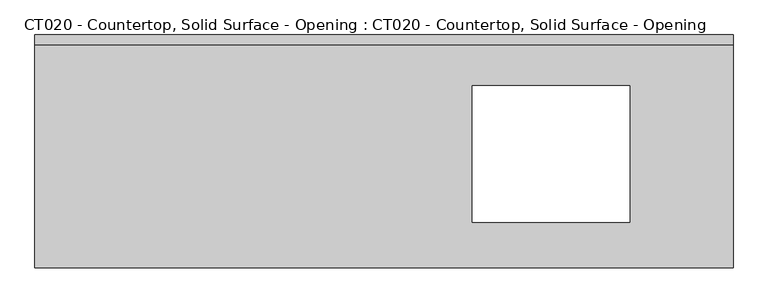
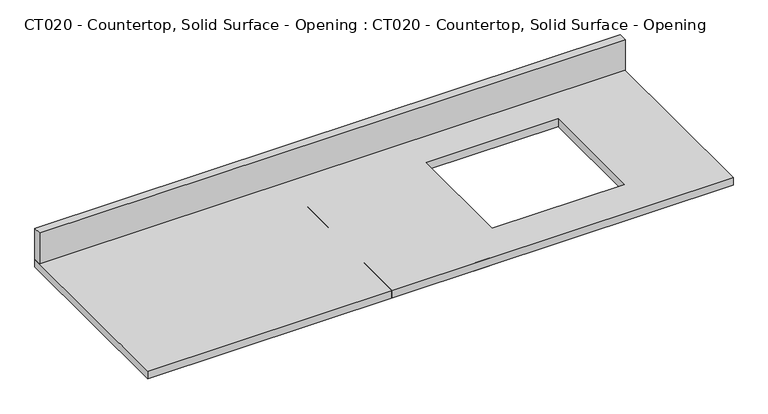
"""IFC4 building model written with IfcOpenShell, lengths in millimetres: proxy geometry, CT020 - Countertop, Solid Surface - Opening : CT020 - Countertop, Solid Surface - Opening."""

import ifcopenshell
import ifcopenshell.guid

model = None  # the IFC model being written
_history = None  # IfcOwnerHistory: only IFC2X3 demands one
_inside = {}  # id of a spatial element -> (the spatial element, [elements in it])
_under = {}  # id of a project, library or spatial element -> (it, [spatial elements below it])
_declared = {}  # id of a project -> (the project, [libraries it declares])
_typed = {}  # id of a type object -> (the type object, [elements of that type])
_made_of = {}  # id of a material, layer set ... -> (it, [elements and type objects made of it])


def new_model(schema):
    """Start an empty IFC model of exactly this schema.

    Asked for "IFC4X3", IfcOpenShell would pick the latest addendum, in which some entities
    have other attributes; the version numbers below select the first issue.
    IFC2X3 requires an IfcOwnerHistory on every rooted entity: one is made here for all.
    """
    global model, _history
    if schema == "IFC4X3":
        model = ifcopenshell.file(schema_version=(4, 3, 0, 0))
    else:
        model = ifcopenshell.file(schema=schema)
    _inside.clear()
    _under.clear()
    _declared.clear()
    _typed.clear()
    _made_of.clear()
    _history = None
    if model.schema == "IFC2X3":
        org = make("IfcOrganization", Name="unknown")
        user = make(
            "IfcPersonAndOrganization",
            ThePerson=make("IfcPerson", FamilyName="unknown"),
            TheOrganization=org,
        )
        app = make(
            "IfcApplication",
            ApplicationDeveloper=org,
            Version="unknown",
            ApplicationFullName="unknown",
            ApplicationIdentifier="unknown",
        )
        _history = make(
            "IfcOwnerHistory",
            OwningUser=user,
            OwningApplication=app,
            ChangeAction="ADDED",
            CreationDate=0,
        )
    return model


def make(cls, **values):
    """One entity of the class cls with the attributes given. An attribute that is None is left unset."""
    return model.create_entity(
        cls, **{name: value for name, value in values.items() if value is not None}
    )


def rooted(cls, **values):
    """An entity with a GlobalId (a new one), such as an element, a storey or a relation."""
    return make(cls, GlobalId=ifcopenshell.guid.new(), OwnerHistory=_history, **values)


def si_unit(unit_type, name, prefix=None):
    """IfcSIUnit, for example si_unit("LENGTHUNIT", "METRE", prefix="MILLI")."""
    return make("IfcSIUnit", UnitType=unit_type, Prefix=prefix, Name=name)


def assignment(units):
    """IfcUnitAssignment: the units of a project."""
    return None if units is None else make("IfcUnitAssignment", Units=units)


def point(xyz):
    """IfcCartesianPoint."""
    return None if xyz is None else make("IfcCartesianPoint", Coordinates=xyz)


def direction(xyz):
    """IfcDirection."""
    return None if xyz is None else make("IfcDirection", DirectionRatios=xyz)


def frame(location, z_axis=None, x_axis=None):
    """IfcAxis2Placement3D, a coordinate frame: its origin and axes. An axis left out is left unset."""
    return make(
        "IfcAxis2Placement3D",
        Location=point(location),
        Axis=direction(z_axis),
        RefDirection=direction(x_axis),
    )


def origin():
    """The frame at (0, 0, 0) with its axes left unset."""
    return frame((0.0, 0.0, 0.0))


def origin_with_axes():
    """The frame at (0, 0, 0) with the z axis (0, 0, 1) and the x axis (1, 0, 0) written out."""
    return frame((0.0, 0.0, 0.0), z_axis=(0.0, 0.0, 1.0), x_axis=(1.0, 0.0, 0.0))


def place(relative_to, where):
    """IfcLocalPlacement: puts the frame where relative to a parent placement (None: the world)."""
    return make(
        "IfcLocalPlacement", PlacementRelTo=relative_to, RelativePlacement=where
    )


def context(
    kind, dimensions, precision=None, world=None, true_north=None, identifier=None
):
    """IfcGeometricRepresentationContext, for example the 3D "Model" context."""
    return make(
        "IfcGeometricRepresentationContext",
        ContextIdentifier=identifier,
        ContextType=kind,
        CoordinateSpaceDimension=dimensions,
        Precision=precision,
        WorldCoordinateSystem=world,
        TrueNorth=true_north,
    )


def project(units=None, contexts=None):
    """IfcProject with its units and contexts."""
    return rooted(
        "IfcProject",
        Name="project",
        RepresentationContexts=contexts,
        UnitsInContext=assignment(units),
    )


def spatial(cls, under=None, at=None, **own):
    """A site, building, storey or space (cls), placed at a placement, below another one or the project."""
    s = rooted(cls, ObjectPlacement=at, **own)
    if under is not None:
        _under.setdefault(under.id(), (under, []))[1].append(s)
    return s


def polyline(points):
    """IfcPolyline through the points."""
    return make("IfcPolyline", Points=[point(p) for p in points])


def outline(outer, holes=None, kind="AREA"):
    """IfcArbitraryClosedProfileDef: a profile drawn as a closed curve; with holes, ...WithVoids."""
    if holes is None:
        return make("IfcArbitraryClosedProfileDef", ProfileType=kind, OuterCurve=outer)
    return make(
        "IfcArbitraryProfileDefWithVoids",
        ProfileType=kind,
        OuterCurve=outer,
        InnerCurves=holes,
    )


def extrude(swept, where, along, depth):
    """IfcExtrudedAreaSolid: the profile swept, set in the frame where, extruded along a direction by depth."""
    return make(
        "IfcExtrudedAreaSolid",
        SweptArea=swept,
        Position=where,
        ExtrudedDirection=direction(along),
        Depth=depth,
    )


def shape(context_of_items, identifier, shape_type, items):
    """IfcShapeRepresentation: the items that make up one representation, for example the "Body"."""
    return make(
        "IfcShapeRepresentation",
        ContextOfItems=context_of_items,
        RepresentationIdentifier=identifier,
        RepresentationType=shape_type,
        Items=items,
    )


def source(mapping_origin, context_of_items, identifier, shape_type, items):
    """IfcRepresentationMap: a shape defined once, which mapped items show again and again."""
    return make(
        "IfcRepresentationMap",
        MappingOrigin=mapping_origin,
        MappedRepresentation=shape(context_of_items, identifier, shape_type, items),
    )


def transform(
    local_origin,
    x_axis=None,
    y_axis=None,
    z_axis=None,
    scale=None,
    scale2=None,
    scale3=None,
    uniform=True,
):
    """IfcCartesianTransformationOperator3D, or its non-uniform kind. x_axis, y_axis, z_axis: its Axis1, 2, 3."""
    if uniform:
        return make(
            "IfcCartesianTransformationOperator3D",
            Axis1=direction(x_axis),
            Axis2=direction(y_axis),
            LocalOrigin=point(local_origin),
            Scale=scale,
            Axis3=direction(z_axis),
        )
    return make(
        "IfcCartesianTransformationOperator3DnonUniform",
        Axis1=direction(x_axis),
        Axis2=direction(y_axis),
        LocalOrigin=point(local_origin),
        Scale=scale,
        Axis3=direction(z_axis),
        Scale2=scale2,
        Scale3=scale3,
    )


def mapped(mapping_source, mapping_target):
    """IfcMappedItem: shows the shape of a source again, moved by a transform."""
    return make(
        "IfcMappedItem", MappingSource=mapping_source, MappingTarget=mapping_target
    )


def made_of(thing, what):
    """Note that an element or type object is made of a material, layer set ...; save() writes the relation."""
    if what is not None:
        _made_of.setdefault(what.id(), (what, []))[1].append(thing)
    return thing


def element(
    cls,
    number,
    at=None,
    inside=None,
    cuts=None,
    type_object=None,
    material=None,
    context=None,
    identifier="Body",
    shape_type=None,
    held_by="IfcProductDefinitionShape",
    body=None,
    shapes=None,
    **own,
):
    """One element of the class cls, such as IfcWall. Its Tag is "e" and its number.

    at: its placement. inside: the storey or other place that contains it. cuts: it is an
    opening in that element (IfcRelVoidsElement). A single representation is given by context,
    identifier, shape_type and body (its items); several are given by shapes. held_by: the class
    of the entity that holds the representations. save() writes the other relations.
    """
    e = rooted(cls, Tag="e%d" % number, ObjectPlacement=at, **own)
    if body is not None:
        shapes = [shape(context, identifier, shape_type, body)]
    if shapes is not None:
        e.Representation = make(held_by, Representations=shapes)
    if inside is not None:
        _inside.setdefault(inside.id(), (inside, []))[1].append(e)
    if cuts is not None:
        rooted(
            "IfcRelVoidsElement", RelatingBuildingElement=cuts, RelatedOpeningElement=e
        )
    if type_object is not None:
        _typed.setdefault(type_object.id(), (type_object, []))[1].append(e)
    return made_of(e, material)


def aggregate(whole, parts):
    """IfcRelAggregates: a whole, such as a stair, and the parts it consists of."""
    return rooted("IfcRelAggregates", RelatingObject=whole, RelatedObjects=parts)


def save(model, path):
    """Write the relations noted so far, then the file.

    IfcRelAggregates (storeys below a building ...), IfcRelContainedInSpatialStructure (elements
    in a storey), IfcRelDefinesByType, IfcRelAssociatesMaterial and IfcRelDeclares: one each for
    every whole, place, type object, material and project.
    """
    for whole, parts in _under.values():
        aggregate(whole, parts)
    for where, things in _inside.values():
        rooted(
            "IfcRelContainedInSpatialStructure",
            RelatedElements=things,
            RelatingStructure=where,
        )
    for kind, things in _typed.values():
        rooted("IfcRelDefinesByType", RelatedObjects=things, RelatingType=kind)
    for what, things in _made_of.values():
        rooted("IfcRelAssociatesMaterial", RelatedObjects=things, RelatingMaterial=what)
    for by, libraries in _declared.values():
        rooted("IfcRelDeclares", RelatingContext=by, RelatedDefinitions=libraries)
    model.write(path)


def ct020_countertop_solid_surface_opening_ct020_countertop_8375a3a2(model_context):
    return source(origin(), model_context, "Body", "SweptSolid", [
        extrude(outline(polyline([(914.4, 304.8), (914.4, -304.8), (-914.4, -304.8), (-914.4, 304.8), (914.4, 304.8)]), holes=[polyline([(643.385209, 171.7049248), (230.635209, 171.7049248), (230.635209, -185.9203673), (643.385209, -185.9203673), (643.385209, 171.7049248)])]), origin_with_axes(), (0.0, 0.0, 1.0), 25.4),
        extrude(outline(polyline([(-914.4, 279.4), (-914.4, 304.8), (914.4, 304.8), (914.4, 279.4), (-914.4, 279.4)])), frame((0.0, 0.0, 25.4), z_axis=(0.0, 0.0, 1.0), x_axis=(1.0, 0.0, 0.0)), (0.0, 0.0, 1.0), 101.6),
        extrude(outline(polyline([(-152.4, 304.8), (152.4, 304.8), (152.4, -304.8), (-152.4, -304.8), (-152.4, 0.0), (-152.4, 304.8)])), origin_with_axes(), (0.0, 0.0, 1.0), 25.4),
    ])


if __name__ == "__main__":
    model = new_model("IFC4")
    model_context = context("Model", 3, world=origin())
    ifc_project = project(units=[si_unit("LENGTHUNIT", "METRE", prefix="MILLI")], contexts=[model_context])
    site = spatial("IfcSite", under=ifc_project)
    building = spatial("IfcBuilding", under=site)
    placement = place(None, origin())
    ct020_countertop_solid_surface_opening_ct020_countertop_shape = ct020_countertop_solid_surface_opening_ct020_countertop_8375a3a2(model_context)
    element("IfcBuildingElementProxy", 1, Name="CT020 - Countertop, Solid Surface - Opening : CT020 - Countertop, Solid Surface - Opening", ObjectType="CT020 - Countertop, Solid Surface - Opening : CT020 - Countertop, Solid Surface - Opening", at=placement, inside=building, context=model_context, shape_type="MappedRepresentation", body=[
        mapped(ct020_countertop_solid_surface_opening_ct020_countertop_shape, transform((0.0, 0.0, 0.0), x_axis=(1.0, 0.0, 0.0), y_axis=(0.0, 1.0, 0.0), z_axis=(0.0, 0.0, 1.0))),
    ])
    save(model, "model.ifc")
